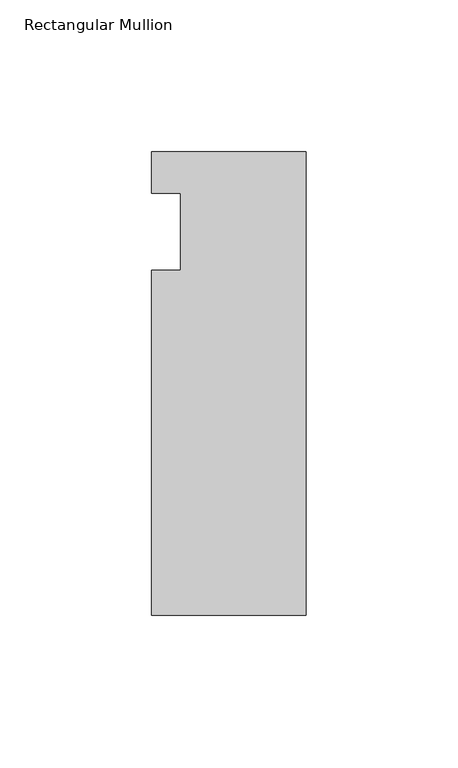
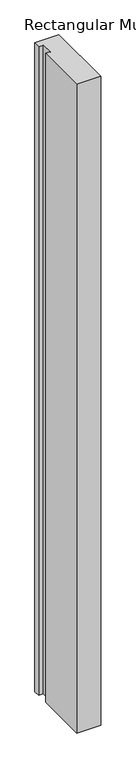
"""IFC4 building model written with IfcOpenShell, lengths in millimetres: member geometry, Rectangular Mullion."""

from ifc_helpers import new_model, si_unit, frame, origin, place, context, project, spatial, polyline, outline, extrude, source, transform, mapped, element, save


def rectangular_mullion_917b2c3c(model_context):
    return source(origin(), model_context, "Body", "SweptSolid", [
        extrude(outline(polyline([(0.0, 26.19375), (0.0, -126.20625), (-50.8, -126.20625), (-50.8, -12.7), (-41.275, -12.7), (-41.275, 12.7), (-50.8, 12.7), (-50.8, 26.19375), (0.0, 26.19375)])), frame((0.0, 0.0, -1447.8), z_axis=(0.0, 0.0, 1.0), x_axis=(1.0, 0.0, 0.0)), (0.0, 0.0, 1.0), 1447.8),
    ])


if __name__ == "__main__":
    model = new_model("IFC4")
    model_context = context("Model", 3, world=origin())
    ifc_project = project(units=[si_unit("LENGTHUNIT", "METRE", prefix="MILLI")], contexts=[model_context])
    site = spatial("IfcSite", under=ifc_project)
    building = spatial("IfcBuilding", under=site)
    placement = place(None, origin())
    rectangular_mullion_shape = rectangular_mullion_917b2c3c(model_context)
    element("IfcMember", 1, ObjectType="Rectangular Mullion", at=placement, inside=building, context=model_context, shape_type="MappedRepresentation", body=[
        mapped(rectangular_mullion_shape, transform((0.0, 0.0, 0.0), x_axis=(1.0, 0.0, 0.0), y_axis=(0.0, 1.0, 0.0), z_axis=(0.0, 0.0, 1.0))),
    ])
    save(model, "model.ifc")
